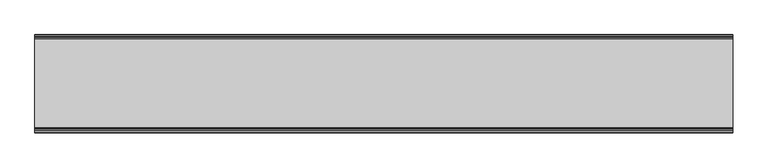
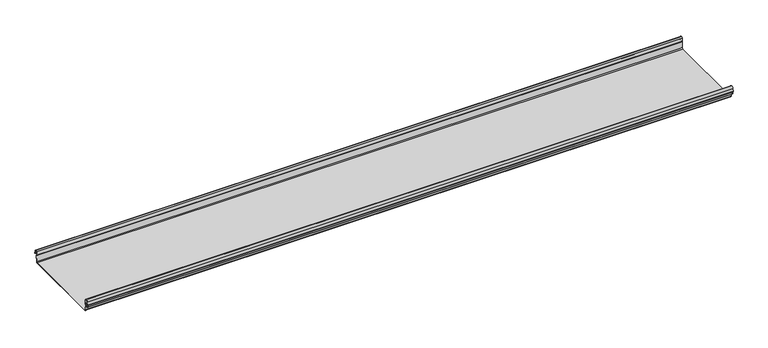
"""IFC4 building model written with IfcOpenShell, lengths in millimetres: beam geometry."""

from ifc_helpers import new_model, si_unit, frame, origin, place, context, project, spatial, polyline, circle_curve, source, transform, mapped, element, save
from ifc_brep_helpers import plane_surface, cylinder_surface, revolved_surface, advanced_brep


def beam_217ae986(model_context):
    return source(origin(), model_context, "Body", "AdvancedBrep", [
        advanced_brep(
        [(1256.5770234, 174.5298471, 17.4730576), (1256.5770234, 169.9958217, 21.2486363), (1256.5770234, 165.4890072, 17.6093124), (1256.5770234, 163.0420077, 6.2503755), (1256.5770234, 164.7006671, 3.7959761), (1256.5770234, 165.8698319, 2.0849359), (1256.5770234, 164.3793103, -21.3247551), (1256.5770234, 160.6848586, -24.7896475), (1256.5770234, -159.5640942, -24.7896475), (1256.5770234, -163.2568715, -21.3207217), (1256.5770234, -164.7263748, 2.1632779), (1256.5770234, -164.0984471, 3.0966958), (1256.5770234, -161.8868093, 6.1624874), (1256.5770234, -162.770348, 17.3389905), (1256.5770234, -170.0, 24.0196704), (1256.5770234, -177.229652, 17.3389905), (1256.5770234, -178.1131907, 6.1624874), (1256.5770234, -175.9015529, 3.0966958), (1256.5770234, -175.2736252, 2.1632779), (1256.5770234, -175.6653397, -4.0966758), (1256.5770234, -174.6633838, -4.0966758), (1256.5770234, -174.255975, 2.4140875), (1256.5770234, -175.661391, 4.0675496), (1256.5770234, -177.1158116, 6.08368), (1256.5770234, -176.2261211, 17.3379999), (1256.5770234, -170.0, 23.0196704), (1256.5770234, -163.767144, 17.2589936), (1256.5770234, -162.8795452, 6.0037927), (1256.5770234, -164.338609, 4.0675496), (1256.5770234, -165.744025, 2.4140875), (1256.5770234, -164.2549195, -21.3831743), (1256.5770234, -159.5640942, -25.7896475), (1256.5770234, 160.6846135, -25.7896475), (1256.5770234, 165.3772895, -21.3882975), (1256.5770234, 166.868024, 2.0247376), (1256.5770234, 164.9644432, 4.7613501), (1256.5770234, 164.0277999, 6.0779003), (1256.5770234, 166.4434849, 17.2822335), (1256.5770234, 170.0063307, 20.2496221), (1256.5770234, 173.4803249, 17.6539317), (1256.5770234, 175.5075757, 6.5459412), (1256.5770234, 176.5074356, 6.7299959), (-1256.5770234, 174.5298471, 17.4730576), (-1256.5770234, 176.5074356, 6.7299959), (-1256.5770234, 175.5075757, 6.5459412), (-1256.5770234, 173.4803249, 17.6539317), (-1256.5770234, 170.0063307, 20.2496221), (-1256.5770234, 166.4434849, 17.2822335), (-1256.5770234, 164.0277999, 6.0779003), (-1256.5770234, 164.9644432, 4.7613501), (-1256.5770234, 166.868024, 2.0247376), (-1256.5770234, 165.3772895, -21.3882975), (-1256.5770234, 160.6846135, -25.7896475), (-1256.5770234, -159.5640942, -25.7896475), (-1256.5770234, -164.2549195, -21.3831743), (-1256.5770234, -165.744025, 2.4140875), (-1256.5770234, -164.338609, 4.0675496), (-1256.5770234, -162.8795452, 6.0037927), (-1256.5770234, -163.767144, 17.2589936), (-1256.5770234, -170.0, 23.0196704), (-1256.5770234, -176.2261211, 17.3379999), (-1256.5770234, -177.1158116, 6.08368), (-1256.5770234, -175.661391, 4.0675496), (-1256.5770234, -174.255975, 2.4140875), (-1256.5770234, -174.6633838, -4.0966758), (-1256.5770234, -175.6653397, -4.0966758), (-1256.5770234, -175.2736252, 2.1632779), (-1256.5770234, -175.9015529, 3.0966958), (-1256.5770234, -178.1066021, 6.2458324), (-1256.5770234, -177.229652, 17.3389905), (-1256.5770234, -170.0, 24.0196704), (-1256.5770234, -162.770348, 17.3389905), (-1256.5770234, -161.8868093, 6.1624874), (-1256.5770234, -164.0984471, 3.0966958), (-1256.5770234, -164.7263748, 2.1632779), (-1256.5770234, -163.2568715, -21.3207217), (-1256.5770234, -159.5640942, -24.7896475), (-1256.5770234, 160.6848586, -24.7896475), (-1256.5770234, 164.3793103, -21.3247551), (-1256.5770234, 165.8698319, 2.0849359), (-1256.5770234, 164.7006671, 3.7959761), (-1256.5770234, 163.0420077, 6.2503755), (-1256.5770234, 165.4890072, 17.6093124), (-1256.5770234, 169.9958217, 21.2486363)],
        [
            (0, 1, circle_curve(frame((1256.5770234, 169.9958217, 16.6384317), z_axis=(1.0, 0.0, 0.0), x_axis=(0.0, 1.0, 0.0)), 4.6102046)),
            (1, 2, circle_curve(frame((1256.5770234, 169.9958217, 16.6384317), z_axis=(1.0, 0.0, 0.0), x_axis=(0.0, 0.2105938444020083, 0.9775736456656259)), 4.6102046)),
            (2, 3),
            (3, 4, circle_curve(frame((1256.5770234, 165.4262002, 6.073937), z_axis=(1.0, 0.0, 0.0), x_axis=(0.0, -0.9528378408797884, 0.30347989881958104)), 2.3907121)),
            (4, 5, circle_curve(frame((1256.5770234, 164.1897695, 2.1919074), z_axis=(-1.0, 0.0, 0.0), x_axis=(0.0, 0.06354246328302078, 0.9979791357337717)), 1.6834645)),
            (5, 6),
            (6, 7, circle_curve(frame((1256.5770234, 160.6867875, -21.089648), z_axis=(-1.0, 0.0, 0.0), x_axis=(0.0, 0.9999998641088232, -0.0005213274739325337)), 3.7)),
            (7, 8),
            (8, 9, circle_curve(frame((1256.5770234, -159.5640942, -21.0896475), z_axis=(-1.0, 0.0, 0.0), x_axis=(0.0, 0.062452508687223206, -0.9980479368039755)), 3.7)),
            (9, 10),
            (10, 11, circle_curve(frame((1256.5770234, -163.8044049, 2.2209698), z_axis=(-1.0, 0.0, 0.0), x_axis=(0.0, -0.9479881328261025, -0.31830567073314897)), 0.9237732)),
            (11, 12, circle_curve(frame((1256.5770234, -164.7984694, 5.9323112), z_axis=(1.0, 0.0, 0.0), x_axis=(0.0, 0.07880737243916666, -0.9968898625471294)), 2.9207441)),
            (12, 13),
            (13, 14, circle_curve(frame((1256.5770234, -170.0, 16.7674631), z_axis=(1.0, 0.0, 0.0), x_axis=(0.0, 1.0, 0.0)), 7.2522073)),
            (14, 15, circle_curve(frame((1256.5770234, -170.0, 16.7674631), z_axis=(1.0, 0.0, 0.0), x_axis=(0.0, 0.07880737243912425, 0.9968898625471327)), 7.2522073)),
            (15, 16),
            (16, 17, circle_curve(frame((1256.5770234, -175.2001089, 5.9344165), z_axis=(1.0, 0.0, 0.0), x_axis=(0.0, -0.9707819351134729, 0.2399634023290655)), 2.9231288)),
            (17, 18, circle_curve(frame((1256.5770234, -176.1025472, 2.2835649), z_axis=(-1.0, 0.0, 0.0), x_axis=(0.0, 0.14360843272178178, 0.9896345881441257)), 0.8376041)),
            (18, 19),
            (19, 20, circle_curve(frame((1256.5770234, -175.1643617, -4.0966758), z_axis=(1.0, 0.0, 0.0), x_axis=(0.0, 0.0, -1.0)), 0.5009779)),
            (20, 21),
            (21, 22, circle_curve(frame((1256.5770234, -176.1062911, 2.2653702), z_axis=(1.0, 0.0, 0.0), x_axis=(0.0, 0.9708537722163966, -0.23967259537375799)), 1.856283)),
            (22, 23, circle_curve(frame((1256.5770234, -175.2010412, 5.9323112), z_axis=(-1.0, 0.0, 0.0), x_axis=(0.0, -0.07880737243914376, -0.9968898625471312)), 1.9207441)),
            (23, 24),
            (24, 25, circle_curve(frame((1256.5770234, -170.0770494, 16.8518958), z_axis=(-1.0, 0.0, 0.0), x_axis=(0.0, -0.9999219808421378, 0.012491286112139365)), 6.1682558)),
            (25, 26, circle_curve(frame((1256.5770234, -170.0791743, 16.6817991), z_axis=(-1.0, 0.0, 0.0), x_axis=(0.0, -0.09106361391821856, 0.9958450774192508)), 6.3383658)),
            (26, 27),
            (27, 28, circle_curve(frame((1256.5770234, -164.70299, 5.8599936), z_axis=(-1.0, 0.0, 0.0), x_axis=(0.0, 0.9799562955839813, 0.19921259685401593)), 1.8291061)),
            (28, 29, circle_curve(frame((1256.5770234, -163.9886548, 2.3460727), z_axis=(1.0, 0.0, 0.0), x_axis=(0.0, 0.03871763325448635, 0.9992501913310655)), 1.7566874)),
            (29, 30),
            (30, 31, circle_curve(frame((1256.5770234, -159.5640942, -21.0896475), z_axis=(1.0, 0.0, 0.0), x_axis=(0.0, -1.0, 0.0)), 4.7)),
            (31, 32),
            (32, 33, circle_curve(frame((1256.5770234, 160.6846135, -21.0873301), z_axis=(1.0, 0.0, 0.0), x_axis=(0.0, -0.06400407594283139, -0.997949637137418)), 4.7023174)),
            (33, 34),
            (34, 35, circle_curve(frame((1256.5770234, 164.1939121, 2.1950013), z_axis=(1.0, 0.0, 0.0), x_axis=(0.0, 0.9577619201002135, -0.2875623487279797)), 2.6795268)),
            (35, 36, circle_curve(frame((1256.5770234, 165.0972859, 5.8473161), z_axis=(-1.0, 0.0, 0.0), x_axis=(0.0, -0.210759855052358, -0.9775378680635902)), 1.094061)),
            (36, 37),
            (37, 38, circle_curve(frame((1256.5770234, 170.0063307, 16.627032), z_axis=(-1.0, 0.0, 0.0), x_axis=(0.0, -1.0, 0.0)), 3.6225901)),
            (38, 39, circle_curve(frame((1256.5770234, 170.0063307, 16.627032), z_axis=(-1.0, 0.0, 0.0), x_axis=(0.0, -0.2834711363957483, 0.9589807687490417)), 3.6225901)),
            (39, 40),
            (40, 41, circle_curve(frame((1256.5770234, 176.0075057, 6.6379685), z_axis=(1.0, 0.0, 0.0), x_axis=(0.0, 0.18103878268247353, -0.9834759575937014)), 0.5083296)),
            (41, 0),
            (42, 43),
            (43, 44, circle_curve(frame((-1256.5770234, 176.0075057, 6.6379685), z_axis=(-1.0, 0.0, 0.0), x_axis=(0.0, 0.18103878268247353, -0.9834759575937014)), 0.5083296)),
            (44, 45),
            (45, 46, circle_curve(frame((-1256.5770234, 170.0063307, 16.627032), z_axis=(1.0, 0.0, 0.0), x_axis=(0.0, -0.2834711363957483, 0.9589807687490417)), 3.6225901)),
            (46, 47, circle_curve(frame((-1256.5770234, 170.0063307, 16.627032), z_axis=(1.0, 0.0, 0.0), x_axis=(0.0, -1.0, 0.0)), 3.6225901)),
            (47, 48),
            (48, 49, circle_curve(frame((-1256.5770234, 165.0972859, 5.8473161), z_axis=(1.0, 0.0, 0.0), x_axis=(0.0, -0.210759855052358, -0.9775378680635902)), 1.094061)),
            (49, 50, circle_curve(frame((-1256.5770234, 164.1939121, 2.1950013), z_axis=(-1.0, 0.0, 0.0), x_axis=(0.0, 0.9577619201002135, -0.2875623487279797)), 2.6795268)),
            (50, 51),
            (51, 52, circle_curve(frame((-1256.5770234, 160.6846135, -21.0873301), z_axis=(-1.0, 0.0, 0.0), x_axis=(0.0, -0.06400407594283139, -0.997949637137418)), 4.7023174)),
            (52, 53),
            (53, 54, circle_curve(frame((-1256.5770234, -159.5640942, -21.0896475), z_axis=(-1.0, 0.0, 0.0), x_axis=(0.0, -1.0, 0.0)), 4.7)),
            (54, 55),
            (55, 56, circle_curve(frame((-1256.5770234, -163.9886548, 2.3460727), z_axis=(-1.0, 0.0, 0.0), x_axis=(0.0, 0.03871763325448635, 0.9992501913310655)), 1.7566874)),
            (56, 57, circle_curve(frame((-1256.5770234, -164.70299, 5.8599936), z_axis=(1.0, 0.0, 0.0), x_axis=(0.0, 0.9799562955839813, 0.19921259685401593)), 1.8291061)),
            (57, 58),
            (58, 59, circle_curve(frame((-1256.5770234, -170.0791743, 16.6817991), z_axis=(1.0, 0.0, 0.0), x_axis=(0.0, -0.09106361391821856, 0.9958450774192508)), 6.3383658)),
            (59, 60, circle_curve(frame((-1256.5770234, -170.0770494, 16.8518958), z_axis=(1.0, 0.0, 0.0), x_axis=(0.0, -0.9999219808421378, 0.012491286112139365)), 6.1682558)),
            (60, 61),
            (61, 62, circle_curve(frame((-1256.5770234, -175.2010412, 5.9323112), z_axis=(1.0, 0.0, 0.0), x_axis=(0.0, -0.07880737243914376, -0.9968898625471312)), 1.9207441)),
            (62, 63, circle_curve(frame((-1256.5770234, -176.1062911, 2.2653702), z_axis=(-1.0, 0.0, 0.0), x_axis=(0.0, 0.9708537722163966, -0.23967259537375799)), 1.856283)),
            (63, 64),
            (64, 65, circle_curve(frame((-1256.5770234, -175.1643617, -4.0966758), z_axis=(-1.0, 0.0, 0.0), x_axis=(0.0, 0.0, -1.0)), 0.5009779)),
            (65, 66),
            (66, 67, circle_curve(frame((-1256.5770234, -176.1025472, 2.2835649), z_axis=(1.0, 0.0, 0.0), x_axis=(0.0, 0.14360843272178178, 0.9896345881441257)), 0.8376041)),
            (67, 68, circle_curve(frame((-1256.5770234, -175.2001089, 5.9344165), z_axis=(-1.0, 0.0, 0.0), x_axis=(0.0, -0.9707819351134729, 0.2399634023290655)), 2.9231288)),
            (68, 69),
            (69, 70, circle_curve(frame((-1256.5770234, -170.0, 16.7674631), z_axis=(-1.0, 0.0, 0.0), x_axis=(0.0, 0.07880737243912425, 0.9968898625471327)), 7.2522073)),
            (70, 71, circle_curve(frame((-1256.5770234, -170.0, 16.7674631), z_axis=(-1.0, 0.0, 0.0), x_axis=(0.0, 1.0, 0.0)), 7.2522073)),
            (71, 72),
            (72, 73, circle_curve(frame((-1256.5770234, -164.7984694, 5.9323112), z_axis=(-1.0, 0.0, 0.0), x_axis=(0.0, 0.07880737243916666, -0.9968898625471294)), 2.9207441)),
            (73, 74, circle_curve(frame((-1256.5770234, -163.8044049, 2.2209698), z_axis=(1.0, 0.0, 0.0), x_axis=(0.0, -0.9479881328261025, -0.31830567073314897)), 0.9237732)),
            (74, 75),
            (75, 76, circle_curve(frame((-1256.5770234, -159.5640942, -21.0896475), z_axis=(1.0, 0.0, 0.0), x_axis=(0.0, 0.062452508687223206, -0.9980479368039755)), 3.7)),
            (76, 77),
            (77, 78, circle_curve(frame((-1256.5770234, 160.6867875, -21.089648), z_axis=(1.0, 0.0, 0.0), x_axis=(0.0, 0.9999998641088232, -0.0005213274739325337)), 3.7)),
            (78, 79),
            (79, 80, circle_curve(frame((-1256.5770234, 164.1897695, 2.1919074), z_axis=(1.0, 0.0, 0.0), x_axis=(0.0, 0.06354246328302078, 0.9979791357337717)), 1.6834645)),
            (80, 81, circle_curve(frame((-1256.5770234, 165.4262002, 6.073937), z_axis=(-1.0, 0.0, 0.0), x_axis=(0.0, -0.9528378408797884, 0.30347989881958104)), 2.3907121)),
            (81, 82),
            (82, 83, circle_curve(frame((-1256.5770234, 169.9958217, 16.6384317), z_axis=(-1.0, 0.0, 0.0), x_axis=(0.0, 0.2105938444020083, 0.9775736456656259)), 4.6102046)),
            (83, 42, circle_curve(frame((-1256.5770234, 169.9958217, 16.6384317), z_axis=(-1.0, 0.0, 0.0), x_axis=(0.0, 1.0, 0.0)), 4.6102046)),
            (42, 0),
            (41, 43),
            (40, 44),
            (39, 45),
            (38, 46),
            (37, 47),
            (36, 48),
            (35, 49),
            (34, 50),
            (33, 51),
            (32, 52),
            (31, 53),
            (30, 54),
            (29, 55),
            (28, 56),
            (27, 57),
            (26, 58),
            (25, 59),
            (24, 60),
            (23, 61),
            (22, 62),
            (21, 63),
            (20, 64),
            (19, 65),
            (18, 66),
            (17, 67),
            (16, 68),
            (15, 69),
            (14, 70),
            (13, 71),
            (12, 72),
            (11, 73),
            (10, 74),
            (9, 75),
            (8, 76),
            (7, 77),
            (6, 78),
            (5, 79),
            (4, 80),
            (3, 81),
            (2, 82),
            (1, 83),
        ],
        [
            plane_surface(frame((1256.5770234, 176.5074356, 6.7299959), z_axis=(1.0000000000000002, 0.0, 0.0), x_axis=(0.0, -0.18103878268248824, 0.9834759575936989))),
            plane_surface(frame((-1256.5770234, 176.5074356, 6.7299959), z_axis=(-1.0000000000000002, 0.0, 0.0), x_axis=(0.0, 0.18103878268248824, -0.9834759575936989))),
            plane_surface(frame((1256.5770234, 175.5186413, 12.1015267), z_axis=(0.0, 0.9834759575937931, 0.18103878268197598), x_axis=(0.0, 0.18103878268197598, -0.9834759575937931))),
            cylinder_surface(frame((1256.5770234, 176.0075057, 6.6379685), z_axis=(-1.0, 0.0, 0.0), x_axis=(0.0, 0.18103878268247353, -0.9834759575937014)), 0.5083296),
            plane_surface(frame((1256.5770234, 174.4939503, 12.0999365), z_axis=(0.0, -0.9837509798366516, -0.17953832368168063), x_axis=(0.0, -0.17953832368168063, 0.9837509798366516))),
            revolved_surface(polyline([(-1256.5770234, 168.979430967657, 20.101026238960667), (1256.5770234, 168.979430967657, 20.101026238960667)]), (1256.5770234, 170.0063307, 16.627032), (-1.0, 0.0, 0.0)),
            revolved_surface(polyline([(-1256.5770234, 166.3837406, 16.627032), (1256.5770234, 166.3837406, 16.627032)]), (1256.5770234, 170.0063307, 16.627032), (-1.0, 0.0, 0.0)),
            plane_surface(frame((1256.5770234, 165.2356424, 11.6800669), z_axis=(0.0, 0.9775378680634891, -0.2107598550528272), x_axis=(0.0, -0.2107598550528272, -0.9775378680634891))),
            revolved_surface(polyline([(-1256.5770234, 164.86670176222157, 4.77783004252848), (1256.5770234, 164.86670176222157, 4.77783004252848)]), (1256.5770234, 165.0972859, 5.8473161), (-1.0, 0.0, 0.0)),
            cylinder_surface(frame((1256.5770234, 164.1939121, 2.1950013), z_axis=(-1.0, 0.0, 0.0), x_axis=(0.0, 0.9577619201002135, -0.2875623487279797)), 2.6795268),
            plane_surface(frame((1256.5770234, 166.1226567, -9.68178), z_axis=(0.0, 0.9979791357337514, -0.06354246328334037), x_axis=(0.0, -0.06354246328334037, -0.9979791357337514))),
            cylinder_surface(frame((1256.5770234, 160.6846135, -21.0873301), z_axis=(-1.0, 0.0, 0.0), x_axis=(0.0, -0.06400407594283139, -0.997949637137418)), 4.7023174),
            plane_surface(frame((1256.5770234, 0.5602597, -25.7896475), z_axis=(0.0, 0.0, -1.0), x_axis=(0.0, -1.0, 0.0))),
            cylinder_surface(frame((1256.5770234, -159.5640942, -21.0896475), z_axis=(-1.0, 0.0, 0.0), x_axis=(0.0, -1.0, 0.0)), 4.7),
            plane_surface(frame((1256.5770234, -164.9994722, -9.4845434), z_axis=(0.0, -0.99804793680396, -0.06245250868747398), x_axis=(0.0, -0.06245250868747398, 0.99804793680396))),
            cylinder_surface(frame((1256.5770234, -163.9886548, 2.3460727), z_axis=(-1.0, 0.0, 0.0), x_axis=(0.0, 0.03871763325448635, 0.9992501913310655)), 1.7566874),
            revolved_surface(polyline([(-1256.5770234, -162.91054596201394, 6.224374576102521), (1256.5770234, -162.91054596201394, 6.224374576102521)]), (1256.5770234, -164.70299, 5.8599936), (-1.0, 0.0, 0.0)),
            plane_surface(frame((1256.5770234, -163.3233446, 11.6313931), z_axis=(0.0, -0.9969048840807634, -0.07861712342689589), x_axis=(0.0, -0.07861712342689589, 0.9969048840807634))),
            revolved_surface(polyline([(-1256.5770234, -170.65636879608365, 22.99382948081253), (1256.5770234, -170.65636879608365, 22.99382948081253)]), (1256.5770234, -170.0791743, 16.6817991), (-1.0, 0.0, 0.0)),
            revolved_surface(polyline([(-1256.5770234, -176.244823957877, 16.928945248010663), (1256.5770234, -176.244823957877, 16.928945248010663)]), (1256.5770234, -170.0770494, 16.8518958), (-1.0, 0.0, 0.0)),
            plane_surface(frame((1256.5770234, -176.6709664, 11.71084), z_axis=(0.0, 0.9968898625470921, -0.07880737243963815), x_axis=(0.0, -0.07880737243963815, -0.9968898625470921))),
            revolved_surface(polyline([(-1256.5770234, -175.35240999564897, 4.017540878162787), (1256.5770234, -175.35240999564897, 4.017540878162787)]), (1256.5770234, -175.2010412, 5.9323112), (-1.0, 0.0, 0.0)),
            cylinder_surface(frame((1256.5770234, -176.1062911, 2.2653702), z_axis=(-1.0, 0.0, 0.0), x_axis=(0.0, 0.9708537722163966, -0.23967259537375799)), 1.856283),
            plane_surface(frame((1256.5770234, -174.4596794, -0.8412941), z_axis=(0.0, 0.9980479368039222, -0.06245250868807452), x_axis=(0.0, -0.06245250868807452, -0.9980479368039222))),
            cylinder_surface(frame((1256.5770234, -175.1643617, -4.0966758), z_axis=(-1.0, 0.0, 0.0), x_axis=(0.0, 0.0, -1.0)), 0.5009779),
            plane_surface(frame((1256.5770234, -175.4694824, -0.9666989), z_axis=(0.0, -0.9980479368040358, 0.06245250868626084), x_axis=(0.0, 0.06245250868626084, 0.9980479368040358))),
            revolved_surface(polyline([(-1256.5770234, -175.98226018795768, 3.112486888531331), (1256.5770234, -175.98226018795768, 3.112486888531331)]), (1256.5770234, -176.1025472, 2.2835649), (-1.0, 0.0, 0.0)),
            cylinder_surface(frame((1256.5770234, -175.2001089, 5.9344165), z_axis=(-1.0, 0.0, 0.0), x_axis=(0.0, -0.9707819351134729, 0.2399634023290655)), 2.9231288),
            plane_surface(frame((1256.5770234, -177.6714214, 11.7507389), z_axis=(0.0, -0.9968898625471735, 0.07880737243860966), x_axis=(0.0, 0.07880737243860966, 0.9968898625471735))),
            cylinder_surface(frame((1256.5770234, -170.0, 16.7674631), z_axis=(-1.0, 0.0, 0.0), x_axis=(0.0, 0.07880737243912425, 0.9968898625471327)), 7.2522073),
            cylinder_surface(frame((1256.5770234, -170.0, 16.7674631), z_axis=(-1.0, 0.0, 0.0), x_axis=(0.0, 1.0, 0.0)), 7.2522073),
            plane_surface(frame((1256.5770234, -162.3285786, 11.7507389), z_axis=(0.0, 0.9968898625471712, 0.07880737243863836), x_axis=(0.0, 0.07880737243863836, -0.9968898625471712))),
            cylinder_surface(frame((1256.5770234, -164.7984694, 5.9323112), z_axis=(-1.0, 0.0, 0.0), x_axis=(0.0, 0.07880737243916666, -0.9968898625471294)), 2.9207441),
            revolved_surface(polyline([(-1256.5770234, -164.6801309310228, 1.9269275519686928), (1256.5770234, -164.6801309310228, 1.9269275519686928)]), (1256.5770234, -163.8044049, 2.2209698), (-1.0, 0.0, 0.0)),
            plane_surface(frame((1256.5770234, -163.9916232, -9.5787219), z_axis=(0.0, 0.9980479368039906, 0.0624525086869835), x_axis=(0.0, 0.0624525086869835, -0.9980479368039906))),
            revolved_surface(polyline([(-1256.5770234, -159.33301991785729, -24.78242486617471), (1256.5770234, -159.33301991785729, -24.78242486617471)]), (1256.5770234, -159.5640942, -21.0896475), (-1.0, 0.0, 0.0)),
            plane_surface(frame((1256.5770234, 0.5603822, -24.7896475), z_axis=(0.0, 0.0, 1.0), x_axis=(0.0, 1.0, 0.0))),
            revolved_surface(polyline([(-1256.5770234, 164.38678699720265, -21.09157691165355), (1256.5770234, 164.38678699720265, -21.09157691165355)]), (1256.5770234, 160.6867875, -21.089648), (-1.0, 0.0, 0.0)),
            plane_surface(frame((1256.5770234, 165.1245711, -9.6199096), z_axis=(0.0, -0.9979791357337828, 0.06354246328284598), x_axis=(0.0, 0.06354246328284598, 0.9979791357337828))),
            revolved_surface(polyline([(-1256.5770234, 164.29674098117954, 3.871969846748486), (1256.5770234, 164.29674098117954, 3.871969846748486)]), (1256.5770234, 164.1897695, 2.1919074), (-1.0, 0.0, 0.0)),
            cylinder_surface(frame((1256.5770234, 165.4262002, 6.073937), z_axis=(-1.0, 0.0, 0.0), x_axis=(0.0, -0.9528378408797884, 0.30347989881958104)), 2.3907121),
            plane_surface(frame((1256.5770234, 164.2655075, 11.929844), z_axis=(0.0, -0.9775736456657296, 0.21059384440152715), x_axis=(0.0, 0.21059384440152715, 0.9775736456657296))),
            cylinder_surface(frame((1256.5770234, 169.9958217, 16.6384317), z_axis=(-1.0, 0.0, 0.0), x_axis=(0.0, 0.2105938444020083, 0.9775736456656259)), 4.6102046),
            cylinder_surface(frame((1256.5770234, 169.9958217, 16.6384317), z_axis=(-1.0, 0.0, 0.0), x_axis=(0.0, 1.0, 0.0)), 4.6102046),
        ],
        [
            (0, [[1, 2, 3, 4, 5, 6, 7, 8, 9, 10, 11, 12, 13, 14, 15, 16, 17, 18, 19, 20, 21, 22, 23, 24, 25, 26, 27, 28, 29, 30, 31, 32, 33, 34, 35, 36, 37, 38, 39, 40, 41, 42]]),
            (1, [[43, 44, 45, 46, 47, 48, 49, 50, 51, 52, 53, 54, 55, 56, 57, 58, 59, 60, 61, 62, 63, 64, 65, 66, 67, 68, 69, 70, 71, 72, 73, 74, 75, 76, 77, 78, 79, 80, 81, 82, 83, 84]]),
            (2, [[-43, 85, -42, 86]]),
            (3, [[-44, -86, -41, 87]]),
            (4, [[-45, -87, -40, 88]]),
            (5, [[-46, -88, -39, 89]]),
            (6, [[-47, -89, -38, 90]]),
            (7, [[-48, -90, -37, 91]]),
            (8, [[-49, -91, -36, 92]]),
            (9, [[-50, -92, -35, 93]]),
            (10, [[-51, -93, -34, 94]]),
            (11, [[-52, -94, -33, 95]]),
            (12, [[-53, -95, -32, 96]]),
            (13, [[-54, -96, -31, 97]]),
            (14, [[-55, -97, -30, 98]]),
            (15, [[-56, -98, -29, 99]]),
            (16, [[-57, -99, -28, 100]]),
            (17, [[-58, -100, -27, 101]]),
            (18, [[-59, -101, -26, 102]]),
            (19, [[-60, -102, -25, 103]]),
            (20, [[-61, -103, -24, 104]]),
            (21, [[-62, -104, -23, 105]]),
            (22, [[-63, -105, -22, 106]]),
            (23, [[-64, -106, -21, 107]]),
            (24, [[-65, -107, -20, 108]]),
            (25, [[-66, -108, -19, 109]]),
            (26, [[-67, -109, -18, 110]]),
            (27, [[-68, -110, -17, 111]]),
            (28, [[-69, -111, -16, 112]]),
            (29, [[-70, -112, -15, 113]]),
            (30, [[-71, -113, -14, 114]]),
            (31, [[-72, -114, -13, 115]]),
            (32, [[-73, -115, -12, 116]]),
            (33, [[-74, -116, -11, 117]]),
            (34, [[-75, -117, -10, 118]]),
            (35, [[-76, -118, -9, 119]]),
            (36, [[-77, -119, -8, 120]]),
            (37, [[-78, -120, -7, 121]]),
            (38, [[-79, -121, -6, 122]]),
            (39, [[-80, -122, -5, 123]]),
            (40, [[-81, -123, -4, 124]]),
            (41, [[-82, -124, -3, 125]]),
            (42, [[-83, -125, -2, 126]]),
            (43, [[-84, -126, -1, -85]]),
        ],
    ),
    ])


if __name__ == "__main__":
    model = new_model("IFC4")
    model_context = context("Model", 3, world=origin())
    ifc_project = project(units=[si_unit("LENGTHUNIT", "METRE", prefix="MILLI")], contexts=[model_context])
    site = spatial("IfcSite", under=ifc_project)
    building = spatial("IfcBuilding", under=site)
    placement = place(None, origin())
    beam_shape = beam_217ae986(model_context)
    element("IfcBeam", 1, at=placement, inside=building, context=model_context, shape_type="MappedRepresentation", body=[
        mapped(beam_shape, transform((0.0, 0.0, 0.0), x_axis=(1.0, 0.0, 0.0), y_axis=(0.0, 1.0, 0.0), z_axis=(0.0, 0.0, 1.0))),
    ])
    save(model, "model.ifc")
